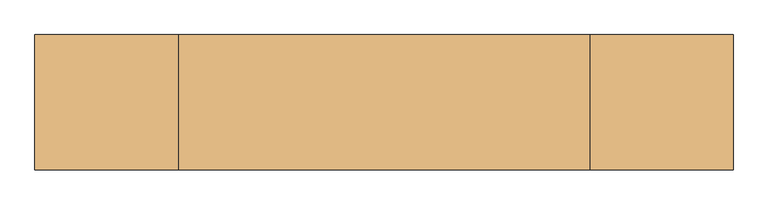
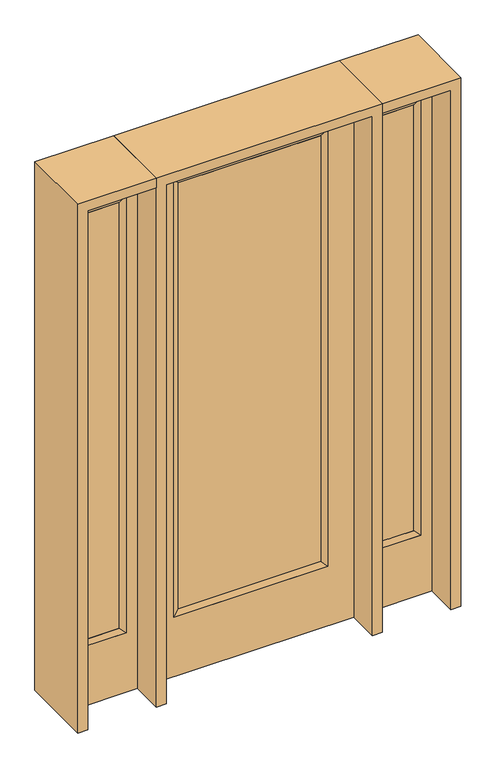
"""IFC4 building model written with IfcOpenShell, lengths in millimetres: door geometry."""

from ifc_helpers import new_model, si_unit, frame, origin, place, context, project, spatial, polyline, outline, extrude, faceted_brep, source, transform, mapped, element, save


def door_ce71058c(model_context):
    return source(origin(), model_context, "Body", "SolidModel", [
        extrude(outline(polyline([(316.3824, -12.7039749), (-316.3824, -12.7039749), (-316.3824, 14.2875), (316.3824, 14.2875), (316.3824, -12.7039749)])), frame((0.0, 0.0, 304.8), z_axis=(0.0, 0.0, 1.0), x_axis=(1.0, 0.0, 0.0)), (0.0, 0.0, 1.0), 2000.25),
        faceted_brep([(316.3824, 14.2875, 2305.05), (341.7824, 22.225, 2330.45), (341.7824, 22.225, 279.4), (316.3824, 14.2875, 304.8), (341.7824, -22.225, 2330.45), (341.7824, -22.225, 279.4), (-341.7824, 22.225, 279.4), (-316.3824, 14.2875, 304.8), (316.3824, -12.7039749, 2305.05), (316.3824, -12.7039749, 304.8), (-316.3824, -12.7039749, 304.8), (-341.7824, -22.225, 279.4), (-341.7824, 22.225, 2330.45), (-316.3824, 14.2875, 2305.05), (-316.3824, -12.7039749, 2305.05), (-341.7824, -22.225, 2330.45)], [[[0, 1, 2, 3]], [[1, 4, 5, 2]], [[3, 2, 6, 7]], [[8, 0, 3, 9]], [[9, 3, 7, 10]], [[4, 8, 9, 5]], [[5, 9, 10, 11]], [[2, 5, 11, 6]], [[7, 6, 12, 13]], [[10, 7, 13, 14]], [[11, 10, 14, 15]], [[6, 11, 15, 12]], [[13, 12, 1, 0]], [[14, 13, 0, 8]], [[15, 14, 8, 4]], [[12, 15, 4, 1]]]),
        extrude(outline(polyline([(0.0, -457.2), (0.0, 457.2), (2438.4, 457.2), (2438.4, -457.2), (0.0, -457.2)]), holes=[polyline([(279.4, -341.7824), (2330.45, -341.7824), (2330.45, 341.7824), (279.4, 341.7824), (279.4, -341.7824)])]), frame((0.0, -22.225, 0.0), z_axis=(0.0, 1.0, 0.0), x_axis=(0.0, 0.0, 1.0)), (0.0, 0.0, 1.0), 44.45),
        faceted_brep([(552.45, 20.6375, 2330.45), (552.45, 20.6375, 279.4), (552.45, -20.6375, 279.4), (552.45, -20.6375, 2330.45), (577.85, -12.7, 304.8), (577.85, -12.7, 2305.05), (755.65, 20.6375, 279.4), (755.65, -20.6375, 279.4), (577.85, 12.7, 2305.05), (577.85, 12.7, 304.8), (730.25, 12.7, 304.8), (730.25, -12.7, 304.8), (755.65, 20.6375, 2330.45), (755.65, -20.6375, 2330.45), (730.25, 12.7, 2305.05), (730.25, -12.7, 2305.05)], [[[0, 1, 2, 3]], [[3, 2, 4, 5]], [[1, 6, 7, 2]], [[8, 9, 1, 0]], [[9, 10, 6, 1]], [[5, 4, 9, 8]], [[4, 11, 10, 9]], [[2, 7, 11, 4]], [[6, 12, 13, 7]], [[10, 14, 12, 6]], [[11, 15, 14, 10]], [[7, 13, 15, 11]], [[12, 0, 3, 13]], [[14, 8, 0, 12]], [[15, 5, 8, 14]], [[13, 3, 5, 15]]]),
        extrude(outline(polyline([(0.0, 806.45), (2438.4, 806.45), (2438.4, 501.65), (0.0, 501.65), (0.0, 806.45)]), holes=[polyline([(2330.45, 552.45), (2330.45, 755.65), (279.4, 755.65), (279.4, 552.45), (2330.45, 552.45)])]), frame((0.0, -20.6375, 0.0), z_axis=(0.0, 1.0, 0.0), x_axis=(0.0, 0.0, 1.0)), (0.0, 0.0, 1.0), 41.275),
        extrude(outline(polyline([(577.85, -12.7), (577.85, 12.7), (730.25, 12.7), (730.25, -12.7), (577.85, -12.7)])), frame((0.0, 0.0, 301.625), z_axis=(0.0, 0.0, 1.0), x_axis=(1.0, 0.0, 0.0)), (0.0, 0.0, 1.0), 2003.425),
        faceted_brep([(-552.45, 20.6375, 2330.45), (-552.45, -20.6375, 2330.45), (-552.45, -20.6375, 279.4), (-552.45, 20.6375, 279.4), (-577.85, -12.7, 2305.05), (-577.85, -12.7, 304.8), (-755.65, -20.6375, 279.4), (-755.65, 20.6375, 279.4), (-577.85, 12.7, 2305.05), (-577.85, 12.7, 304.8), (-730.25, 12.7, 304.8), (-730.25, -12.7, 304.8), (-755.65, -20.6375, 2330.45), (-755.65, 20.6375, 2330.45), (-730.25, 12.7, 2305.05), (-730.25, -12.7, 2305.05)], [[[0, 1, 2, 3]], [[1, 4, 5, 2]], [[3, 2, 6, 7]], [[8, 0, 3, 9]], [[9, 3, 7, 10]], [[4, 8, 9, 5]], [[5, 9, 10, 11]], [[2, 5, 11, 6]], [[7, 6, 12, 13]], [[10, 7, 13, 14]], [[11, 10, 14, 15]], [[6, 11, 15, 12]], [[13, 12, 1, 0]], [[14, 13, 0, 8]], [[15, 14, 8, 4]], [[12, 15, 4, 1]]]),
        extrude(outline(polyline([(0.0, -806.45), (0.0, -501.65), (2438.4, -501.65), (2438.4, -806.45), (0.0, -806.45)]), holes=[polyline([(2330.45, -552.45), (279.4, -552.45), (279.4, -755.65), (2330.45, -755.65), (2330.45, -552.45)])]), frame((0.0, -20.6375, 0.0), z_axis=(0.0, 1.0, 0.0), x_axis=(0.0, 0.0, 1.0)), (0.0, 0.0, 1.0), 41.275),
        extrude(outline(polyline([(-577.85, -12.7), (-730.25, -12.7), (-730.25, 12.7), (-577.85, 12.7), (-577.85, -12.7)])), frame((0.0, 0.0, 301.625), z_axis=(0.0, 0.0, 1.0), x_axis=(1.0, 0.0, 0.0)), (0.0, 0.0, 1.0), 2003.425),
        extrude(outline(polyline([(2438.4, -501.65), (2482.85, -501.65), (2482.85, -850.9), (0.0, -850.9), (0.0, -806.45), (2438.4, -806.45), (2438.4, -501.65)])), frame((0.0, -165.1, 0.0), z_axis=(0.0, 1.0, 0.0), x_axis=(0.0, 0.0, 1.0)), (0.0, 0.0, 1.0), 330.2),
        extrude(outline(polyline([(2482.85, -501.65), (0.0, -501.65), (0.0, -457.2), (2438.4, -457.2), (2438.4, 457.2), (0.0, 457.2), (0.0, 501.65), (2482.85, 501.65), (2482.85, -501.65)])), frame((0.0, -165.1, 0.0), z_axis=(0.0, 1.0, 0.0), x_axis=(0.0, 0.0, 1.0)), (0.0, 0.0, 1.0), 330.2),
        extrude(outline(polyline([(0.0, 806.45), (0.0, 850.9), (2482.85, 850.9), (2482.85, 501.65), (2438.4, 501.65), (2438.4, 806.45), (0.0, 806.45)])), frame((0.0, -165.1, 0.0), z_axis=(0.0, 1.0, 0.0), x_axis=(0.0, 0.0, 1.0)), (0.0, 0.0, 1.0), 330.2),
    ])


if __name__ == "__main__":
    model = new_model("IFC4")
    model_context = context("Model", 3, world=origin())
    ifc_project = project(units=[si_unit("LENGTHUNIT", "METRE", prefix="MILLI")], contexts=[model_context])
    site = spatial("IfcSite", under=ifc_project)
    building = spatial("IfcBuilding", under=site)
    placement = place(None, origin())
    door_shape = door_ce71058c(model_context)
    element("IfcDoor", 1, at=placement, inside=building, context=model_context, shape_type="MappedRepresentation", body=[
        mapped(door_shape, transform((0.0, 0.0, 0.0), x_axis=(1.0, 0.0, 0.0), y_axis=(0.0, 1.0, 0.0), z_axis=(0.0, 0.0, 1.0))),
    ])
    save(model, "model.ifc")
